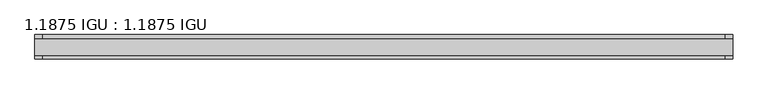
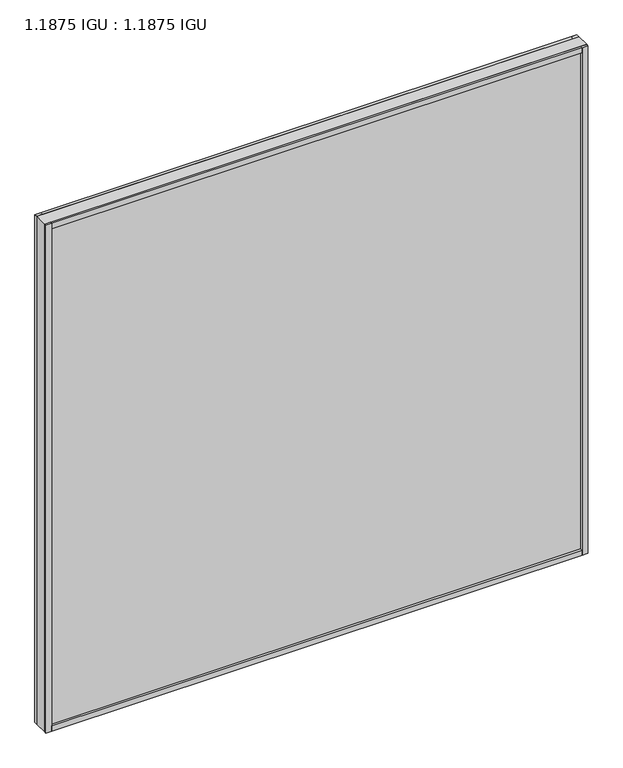
"""IFC4 building model written with IfcOpenShell, lengths in millimetres: plate geometry, 1.1875 IGU : 1.1875 IGU."""

from ifc_helpers import new_model, si_unit, frame, origin, origin_with_axes, place, context, project, spatial, polyline, outline, extrude, source, transform, mapped, element, save


def plate_1_1875_igu_1_1875_igu_6aa4eb00(model_context):
    return source(origin(), model_context, "Body", "SweptSolid", [
        extrude(outline(polyline([(598.4494, 47.4424375), (585.7748, 47.4424375), (585.7748, 54.1734375), (598.4494, 54.1734375), (598.4494, 47.4424375)])), origin_with_axes(), (0.0, 0.0, 1.0), 1184.275),
        extrude(outline(polyline([(598.4748, 17.3180375), (598.4748, 12.5428375), (585.7748, 12.5428375), (585.7748, 17.3180375), (598.4748, 17.3180375)])), origin_with_axes(), (0.0, 0.0, 1.0), 1184.275),
        extrude(outline(polyline([(-598.4494, 47.4424375), (-598.4494, 54.1734375), (-585.7748, 54.1734375), (-585.7748, 47.4424375), (-598.4494, 47.4424375)])), origin_with_axes(), (0.0, 0.0, 1.0), 1184.3004),
        extrude(outline(polyline([(-598.4748, 17.3180375), (-585.7748, 17.3180375), (-585.7748, 12.5680862), (-598.4748, 12.5680862), (-598.4748, 17.3180375)])), origin_with_axes(), (0.0, 0.0, 1.0), 1184.3004),
        extrude(outline(polyline([(585.7748, 54.1734375), (585.7748, 47.4424375), (-585.7748, 47.4424375), (-585.7748, 54.1734375), (585.7748, 54.1734375)])), origin_with_axes(), (0.0, 0.0, 1.0), 12.2958162),
        extrude(outline(polyline([(585.7748, 17.3180375), (585.7748, 12.5865709), (-585.7748, 12.5865709), (-585.7748, 17.3180375), (585.7748, 17.3180375)])), origin_with_axes(), (0.0, 0.0, 1.0), 12.2958162),
        extrude(outline(polyline([(598.4748, 54.1734375), (598.4748, 47.4424375), (-598.4748, 47.4424375), (-598.4748, 54.1734375), (598.4748, 54.1734375)])), frame((0.0, 0.0, 1172.0234242), z_axis=(0.0, 0.0, 1.0), x_axis=(1.0, 0.0, 0.0)), (0.0, 0.0, 1.0), 12.2515758),
        extrude(outline(polyline([(598.4748, 17.3180375), (598.4748, 12.5428375), (-598.4748, 12.5428375), (-598.4748, 17.3180375), (598.4748, 17.3180375)])), frame((0.0, 0.0, 1172.0234242), z_axis=(0.0, 0.0, 1.0), x_axis=(1.0, 0.0, 0.0)), (0.0, 0.0, 1.0), 12.2769758),
        extrude(outline(polyline([(598.4748, 17.3180375), (-598.4748, 17.3180375), (-598.4748, 47.4424375), (598.4748, 47.4424375), (598.4748, 17.3180375)])), origin_with_axes(), (0.0, 0.0, 1.0), 1184.3004),
    ])


if __name__ == "__main__":
    model = new_model("IFC4")
    model_context = context("Model", 3, world=origin())
    ifc_project = project(units=[si_unit("LENGTHUNIT", "METRE", prefix="MILLI")], contexts=[model_context])
    site = spatial("IfcSite", under=ifc_project)
    building = spatial("IfcBuilding", under=site)
    placement = place(None, origin())
    plate_1_1875_igu_1_1875_igu_shape = plate_1_1875_igu_1_1875_igu_6aa4eb00(model_context)
    element("IfcPlate", 1, ObjectType="1.1875 IGU : 1.1875 IGU", at=placement, inside=building, context=model_context, shape_type="MappedRepresentation", body=[
        mapped(plate_1_1875_igu_1_1875_igu_shape, transform((0.0, 0.0, 0.0), x_axis=(1.0, 0.0, 0.0), y_axis=(0.0, 1.0, 0.0), z_axis=(0.0, 0.0, 1.0))),
    ])
    save(model, "model.ifc")
